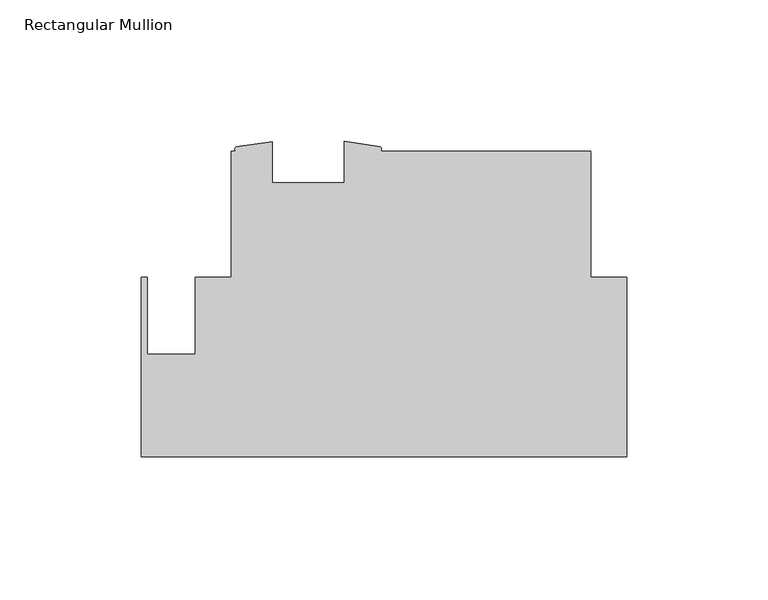
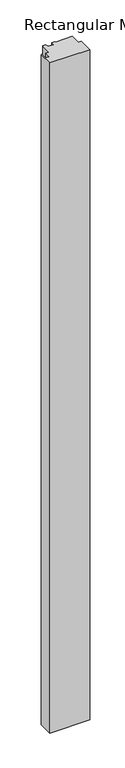
"""IFC4 building model written with IfcOpenShell, lengths in millimetres: member geometry, Rectangular Mullion."""

from ifc_helpers import new_model, si_unit, point, frame, frame_2d, origin, place, context, project, spatial, polyline, circle_curve, trimmed, segment, composite_curve, outline, extrude, source, transform, mapped, element, save


def rectangular_mullion_fc1cc590(model_context):
    return source(origin(), model_context, "Body", "SweptSolid", [
        extrude(outline(composite_curve([segment(polyline([(0.0, -62.7057344), (-171.4499999, -62.7057344), (-171.4499999, 0.7942653), (-169.4179999, 0.7942653), (-169.4179999, -26.3655353), (-152.5173426, -26.3655353), (-152.5173426, 0.7942653), (-139.7010309, 0.7942653), (-139.7010309, 45.2442653), (-137.9687934, 45.2442653)]), True, "CONTINUOUS"), segment(trimmed(circle_curve(frame_2d((-137.4994105, 46.0372134)), 0.9214592), [point((-137.9687934, 45.2442653))], [point((-137.9687934, 46.8301615))], False, "CARTESIAN"), True, "CONTINUOUS"), segment(polyline([(-137.9687934, 46.8301615), (-125.1975059, 48.6402653), (-125.1975059, 34.1317653), (-99.7975059, 34.1317653), (-99.7975059, 48.763787), (-87.0244531, 46.9076697)]), True, "CONTINUOUS"), segment(trimmed(circle_curve(frame_2d((-87.607369, 46.0759675)), 1.0156375), [point((-87.0244531, 46.9076697))], [point((-87.0244531, 45.2442653))], False, "CARTESIAN"), True, "CONTINUOUS"), segment(polyline([(-87.0244531, 45.2442653), (-12.7010309, 45.2442653), (-12.7010309, 0.8196656), (0.0, 0.8196656), (0.0, -62.7057344)]), True, "CONTINUOUS")], self_intersect=False)), frame((0.0, 0.0, -3048.0), z_axis=(0.0, 0.0, 1.0), x_axis=(1.0, 0.0, 0.0)), (0.0, 0.0, 1.0), 3048.0),
    ])


if __name__ == "__main__":
    model = new_model("IFC4")
    model_context = context("Model", 3, world=origin())
    ifc_project = project(units=[si_unit("LENGTHUNIT", "METRE", prefix="MILLI")], contexts=[model_context])
    site = spatial("IfcSite", under=ifc_project)
    building = spatial("IfcBuilding", under=site)
    placement = place(None, origin())
    rectangular_mullion_shape = rectangular_mullion_fc1cc590(model_context)
    element("IfcMember", 1, ObjectType="Rectangular Mullion", at=placement, inside=building, context=model_context, shape_type="MappedRepresentation", body=[
        mapped(rectangular_mullion_shape, transform((0.0, 0.0, 0.0), x_axis=(1.0, 0.0, 0.0), y_axis=(0.0, 1.0, 0.0), z_axis=(0.0, 0.0, 1.0))),
    ])
    save(model, "model.ifc")
